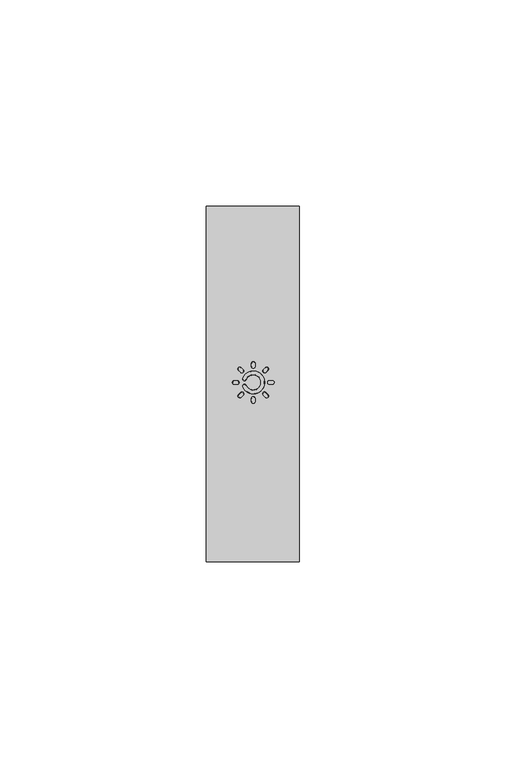
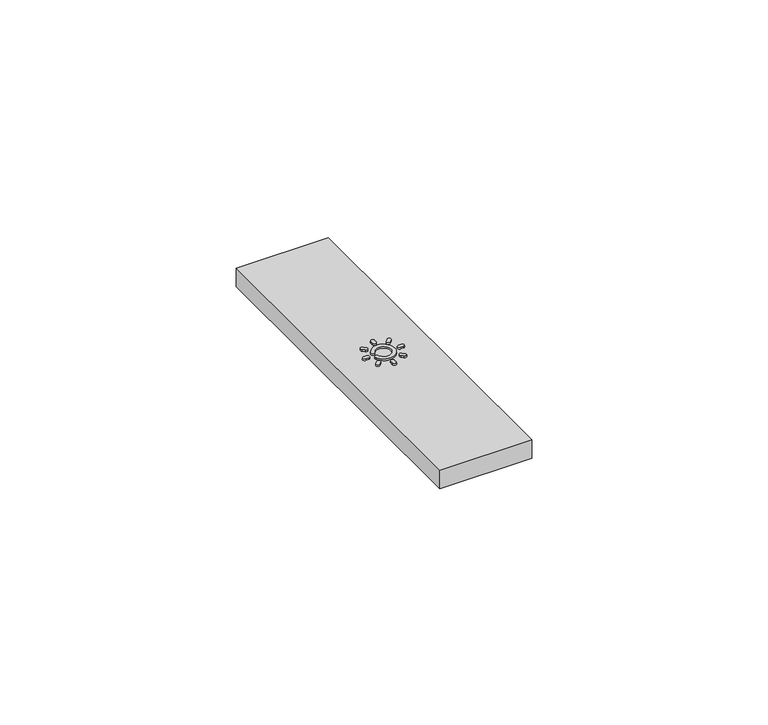
"""IFC4 building model written with IfcOpenShell, lengths in millimetres: proxy geometry."""

from ifc_helpers import new_model, si_unit, frame, origin, place, context, project, spatial, polyline, circle_curve, outline, extrude, source, transform, mapped, element, save
from ifc_brep_helpers import plane_surface, revolved_surface, advanced_brep


def electrical_fixtures_17795841(model_context):
    return source(origin(), model_context, "Body", "SolidModel", [
        advanced_brep(
        [(6.7379609, 43.8107748, 10.6074072), (6.7379609, 42.94208, 10.6074072), (7.4379655, 42.94208, 10.6074072), (7.4379609, 43.8107748, 10.6074072), (7.4379609, 43.8464183, 10.2), (7.4379655, 42.9064365, 10.2), (6.7379609, 42.9064365, 10.2), (6.7379609, 43.8464183, 10.2)],
        [
            (0, 1, circle_curve(frame((6.7379609, 43.3764274, 10.6074072), z_axis=(0.0, 0.0, 1.0), x_axis=(0.0, 1.0000000000000002, 0.0)), 0.4343474)),
            (1, 2),
            (2, 3, circle_curve(frame((7.4379609, 43.3764274, 10.6074072), z_axis=(0.0, 0.0, 1.0), x_axis=(1.1578075136041428e-05, -0.9999999999329744, 0.0)), 0.4343474)),
            (3, 0),
            (4, 5, circle_curve(frame((7.4379609, 43.3764274, 10.2), z_axis=(0.0, 0.0, -1.0), x_axis=(1.1578075136041428e-05, -0.9999999999329744, 0.0)), 0.4699909)),
            (5, 6),
            (6, 7, circle_curve(frame((6.7379609, 43.3764274, 10.2), z_axis=(0.0, 0.0, -1.0), x_axis=(0.0, 1.0000000000000002, 0.0)), 0.4699909)),
            (7, 4),
            (7, 0),
            (3, 4),
            (6, 1),
            (5, 2),
        ],
        [
            plane_surface(frame((11.3379609, 43.3764274, 10.6074072), z_axis=(0.0, 0.0, 1.0), x_axis=(1.0, 0.0, 0.0))),
            plane_surface(frame((11.3379609, 43.3764274, 10.2), z_axis=(0.0, 0.0, -1.0), x_axis=(1.0, 0.0, 0.0))),
            plane_surface(frame((11.3379609, 43.7764274, 11.0), z_axis=(0.0, 0.9961946980917439, 0.0871557427476776), x_axis=(-1.0, 0.0, 0.0))),
            revolved_surface(polyline([(6.7379609, 43.81077479075854, 10.6074072), (6.7379609, 43.8464183, 10.2)]), (6.7379609, 43.3764274, 15.5720209), (0.0, 0.0, -1.0)),
            plane_surface(frame((11.3379609, 42.9764274, 11.0), z_axis=(0.0, -0.9961946980917439, 0.0871557427476776), x_axis=(-1.0, 0.0, 0.0))),
            revolved_surface(polyline([(7.437965151141879, 42.94208000924146, 10.6074072), (7.4379655, 42.9064365, 10.2)]), (7.4379609, 43.3764274, 15.5720209), (0.0, 0.0, -1.0)),
        ],
        [
            (0, [[1, 2, 3, 4]]),
            (1, [[5, 6, 7, 8]]),
            (2, [[-8, 9, -4, 10]]),
            (3, [[-7, 11, -1, -9]]),
            (4, [[12, -2, -11, -6]]),
            (5, [[-5, -10, -3, -12]]),
        ],
    ),
        advanced_brep(
        [(7.7781397, 40.4308662, 10.6074072), (8.3923997, 39.8166062, 10.6074072), (8.8873777, 40.3115842, 10.6074072), (8.2731145, 40.925841, 10.6074072), (8.4176035, 39.7914024, 10.2), (7.752936, 40.45607, 10.2), (8.2479107, 40.9510447, 10.2), (8.9125815, 40.2863804, 10.2)],
        [
            (0, 1, circle_curve(frame((8.0852697, 40.1237362, 10.6074072), z_axis=(0.0, 0.0, 1.0), x_axis=(-0.7071067811865489, 0.7071067811865462, 0.0)), 0.4343474)),
            (1, 2),
            (2, 3, circle_curve(frame((8.5802445, 40.618711, 10.6074072), z_axis=(0.0, 0.0, 1.0), x_axis=(0.7071149680746551, -0.7070985942036513, 0.0)), 0.4343474)),
            (3, 0),
            (4, 5, circle_curve(frame((8.0852697, 40.1237362, 10.2), z_axis=(0.0, 0.0, -1.0), x_axis=(-0.7071067811865489, 0.7071067811865462, 0.0)), 0.4699909)),
            (5, 6),
            (6, 7, circle_curve(frame((8.5802445, 40.618711, 10.2), z_axis=(0.0, 0.0, -1.0), x_axis=(0.7071149680746551, -0.7070985942036513, 0.0)), 0.4699909)),
            (7, 4),
            (5, 0),
            (3, 6),
            (4, 1),
            (7, 2),
        ],
        [
            plane_surface(frame((11.3379609, 43.3764274, 10.6074072), z_axis=(0.0, 0.0, 1.0), x_axis=(1.0, 0.0, 0.0))),
            plane_surface(frame((11.3379609, 43.3764274, 10.2), z_axis=(0.0, 0.0, -1.0), x_axis=(1.0, 0.0, 0.0))),
            plane_surface(frame((11.0551182, 43.6592701, 11.0), z_axis=(-0.7044160264027598, 0.7044160264027562, 0.08715574274767007), x_axis=(0.7071067811865458, 0.7071067811865493, 0.0))),
            revolved_surface(polyline([(7.778139763109455, 40.43086622930667, 10.6074072), (7.752936, 40.45607, 10.2)]), (8.0852697, 40.1237362, 15.5720209), (0.0, 0.0, -1.0)),
            plane_surface(frame((11.6208036, 43.0935847, 11.0), z_axis=(0.7044160264027598, -0.7044160264027562, 0.08715574274767007), x_axis=(-0.7071067811865458, -0.7071067811865493, 0.0))),
            revolved_surface(polyline([(8.887377486622762, 40.31158392800941, 10.6074072), (8.9125815, 40.2863804, 10.2)]), (8.5802445, 40.618711, 15.5720209), (0.0, 0.0, -1.0)),
        ],
        [
            (0, [[1, 2, 3, 4]]),
            (1, [[5, 6, 7, 8]]),
            (2, [[9, -4, 10, -6]]),
            (3, [[-5, 11, -1, -9]]),
            (4, [[12, -2, -11, -8]]),
            (5, [[-7, -10, -3, -12]]),
        ],
    ),
        advanced_brep(
        [(10.9036135, 38.7764274, 10.6074072), (11.7723084, 38.7764274, 10.6074072), (11.7723084, 39.4764324, 10.6074072), (10.9036135, 39.4764274, 10.6074072), (10.86797, 39.4764274, 10.2), (11.8079519, 39.4764328, 10.2), (11.8079519, 38.7764274, 10.2), (10.86797, 38.7764274, 10.2)],
        [
            (0, 1, circle_curve(frame((11.3379609, 38.7764274, 10.6074072), z_axis=(0.0, 0.0, 1.0), x_axis=(-1.0000000000000002, 0.0, 0.0)), 0.4343474)),
            (1, 2),
            (2, 3, circle_curve(frame((11.3379609, 39.4764274, 10.6074072), z_axis=(0.0, 0.0, 1.0), x_axis=(0.9999999999329744, 1.1578075136041428e-05, 0.0)), 0.4343474)),
            (3, 0),
            (4, 5, circle_curve(frame((11.3379609, 39.4764274, 10.2), z_axis=(0.0, 0.0, -1.0), x_axis=(0.9999999999329744, 1.1578075136041428e-05, 0.0)), 0.4699909)),
            (5, 6),
            (6, 7, circle_curve(frame((11.3379609, 38.7764274, 10.2), z_axis=(0.0, 0.0, -1.0), x_axis=(-1.0000000000000002, 0.0, 0.0)), 0.4699909)),
            (7, 4),
            (4, 3),
            (2, 5),
            (7, 0),
            (6, 1),
        ],
        [
            plane_surface(frame((11.3379609, 43.3764274, 10.6074072), z_axis=(0.0, 0.0, 1.0), x_axis=(1.0, 0.0, 0.0))),
            plane_surface(frame((11.3379609, 43.3764274, 10.2), z_axis=(0.0, 0.0, -1.0), x_axis=(1.0, 0.0, 0.0))),
            revolved_surface(polyline([(11.772308383174666, 39.4764323904709, 10.6074072), (11.8079519, 39.4764328, 10.2)]), (11.3379609, 39.4764274, 15.5720209), (0.0, 0.0, -1.0)),
            plane_surface(frame((10.9379609, 43.3764274, 11.0), z_axis=(-0.9961946980917439, 0.0, 0.0871557427476776), x_axis=(0.0, -1.0, 0.0))),
            revolved_surface(polyline([(10.903613509241463, 38.7764274, 10.6074072), (10.86797, 38.7764274, 10.2)]), (11.3379609, 38.7764274, 15.5720209), (0.0, 0.0, -1.0)),
            plane_surface(frame((11.7379609, 43.3764274, 11.0), z_axis=(0.9961946980917439, 0.0, 0.0871557427476776), x_axis=(0.0, -1.0, 0.0))),
        ],
        [
            (0, [[1, 2, 3, 4]]),
            (1, [[5, 6, 7, 8]]),
            (2, [[-5, 9, -3, 10]]),
            (3, [[-8, 11, -4, -9]]),
            (4, [[-7, 12, -1, -11]]),
            (5, [[-10, -2, -12, -6]]),
        ],
    ),
        advanced_brep(
        [(14.2835221, 39.8166062, 10.6074072), (14.8977821, 40.4308662, 10.6074072), (14.4028041, 40.9258442, 10.6074072), (13.7885474, 40.3115809, 10.6074072), (14.9229859, 40.45607, 10.2), (14.2583184, 39.7914024, 10.2), (13.7633436, 40.2863772, 10.2), (14.4280079, 40.951048, 10.2)],
        [
            (0, 1, circle_curve(frame((14.5906521, 40.1237362, 10.6074072), z_axis=(0.0, 0.0, 1.0), x_axis=(-0.7071067811865462, -0.7071067811865489, 0.0)), 0.4343474)),
            (1, 2),
            (2, 3, circle_curve(frame((14.0956774, 40.618711, 10.6074072), z_axis=(0.0, 0.0, 1.0), x_axis=(0.707098594203652, 0.7071149680746545, 0.0)), 0.4343474)),
            (3, 0),
            (4, 5, circle_curve(frame((14.5906521, 40.1237362, 10.2), z_axis=(0.0, 0.0, -1.0), x_axis=(-0.7071067811865462, -0.7071067811865489, 0.0)), 0.4699909)),
            (5, 6),
            (6, 7, circle_curve(frame((14.0956774, 40.618711, 10.2), z_axis=(0.0, 0.0, -1.0), x_axis=(0.707098594203652, 0.7071149680746545, 0.0)), 0.4699909)),
            (7, 4),
            (7, 2),
            (1, 4),
            (6, 3),
            (5, 0),
        ],
        [
            plane_surface(frame((11.3379609, 43.3764274, 10.6074072), z_axis=(0.0, 0.0, 1.0), x_axis=(1.0, 0.0, 0.0))),
            plane_surface(frame((11.3379609, 43.3764274, 10.2), z_axis=(0.0, 0.0, -1.0), x_axis=(1.0, 0.0, 0.0))),
            plane_surface(frame((11.6208036, 43.6592701, 11.0), z_axis=(0.7044160264027562, 0.7044160264027598, 0.08715574274767007), x_axis=(0.7071067811865493, -0.7071067811865458, 0.0))),
            revolved_surface(polyline([(14.402804379574457, 40.92584398662276, 10.6074072), (14.4280079, 40.951048, 10.2)]), (14.0956774, 40.618711, 15.5720209), (0.0, 0.0, -1.0)),
            plane_surface(frame((11.0551182, 43.0935847, 11.0), z_axis=(-0.7044160264027562, -0.7044160264027598, 0.08715574274767007), x_axis=(-0.7071067811865493, 0.7071067811865458, 0.0))),
            revolved_surface(polyline([(14.283522163109454, 39.816606170693326, 10.6074072), (14.2583184, 39.7914024, 10.2)]), (14.5906521, 40.1237362, 15.5720209), (0.0, 0.0, -1.0)),
        ],
        [
            (0, [[1, 2, 3, 4]]),
            (1, [[5, 6, 7, 8]]),
            (2, [[9, -2, 10, -8]]),
            (3, [[-7, 11, -3, -9]]),
            (4, [[12, -4, -11, -6]]),
            (5, [[-5, -10, -1, -12]]),
        ],
    ),
        advanced_brep(
        [(15.9379609, 42.94208, 10.6074072), (15.9379609, 43.8107748, 10.6074072), (15.2379563, 43.8107748, 10.6074072), (15.2379609, 42.94208, 10.6074072), (15.2379609, 42.9064365, 10.2), (15.2379563, 43.8464183, 10.2), (15.9379609, 43.8464183, 10.2), (15.9379609, 42.9064365, 10.2)],
        [
            (0, 1, circle_curve(frame((15.9379609, 43.3764274, 10.6074072), z_axis=(0.0, 0.0, 1.0), x_axis=(0.0, -1.0000000000000002, 0.0)), 0.4343474)),
            (1, 2),
            (2, 3, circle_curve(frame((15.2379609, 43.3764274, 10.6074072), z_axis=(0.0, 0.0, 1.0), x_axis=(-1.1578075137363286e-05, 0.9999999999329744, 0.0)), 0.4343474)),
            (3, 0),
            (4, 5, circle_curve(frame((15.2379609, 43.3764274, 10.2), z_axis=(0.0, 0.0, -1.0), x_axis=(-1.1578075137363286e-05, 0.9999999999329744, 0.0)), 0.4699909)),
            (5, 6),
            (6, 7, circle_curve(frame((15.9379609, 43.3764274, 10.2), z_axis=(0.0, 0.0, -1.0), x_axis=(0.0, -1.0000000000000002, 0.0)), 0.4699909)),
            (7, 4),
            (5, 2),
            (1, 6),
            (4, 3),
            (7, 0),
        ],
        [
            plane_surface(frame((11.3379609, 43.3764274, 10.6074072), z_axis=(0.0, 0.0, 1.0), x_axis=(1.0, 0.0, 0.0))),
            plane_surface(frame((11.3379609, 43.3764274, 10.2), z_axis=(0.0, 0.0, -1.0), x_axis=(1.0, 0.0, 0.0))),
            plane_surface(frame((11.3379609, 43.7764274, 11.0), z_axis=(0.0, 0.9961946980917439, 0.0871557427476776), x_axis=(1.0, 0.0, 0.0))),
            revolved_surface(polyline([(15.237956648858122, 43.81077479075854, 10.6074072), (15.2379563, 43.8464183, 10.2)]), (15.2379609, 43.3764274, 15.5720209), (0.0, 0.0, -1.0)),
            plane_surface(frame((11.3379609, 42.9764274, 11.0), z_axis=(0.0, -0.9961946980917439, 0.0871557427476776), x_axis=(1.0, 0.0, 0.0))),
            revolved_surface(polyline([(15.9379609, 42.94208000924146, 10.6074072), (15.9379609, 42.9064365, 10.2)]), (15.9379609, 43.3764274, 15.5720209), (0.0, 0.0, -1.0)),
        ],
        [
            (0, [[1, 2, 3, 4]]),
            (1, [[5, 6, 7, 8]]),
            (2, [[9, -2, 10, -6]]),
            (3, [[-5, 11, -3, -9]]),
            (4, [[-8, 12, -4, -11]]),
            (5, [[-7, -10, -1, -12]]),
        ],
    ),
        advanced_brep(
        [(14.8977821, 46.3219886, 10.6074072), (14.2835221, 46.9362486, 10.6074072), (13.7885441, 46.4412706, 10.6074072), (14.4028074, 45.8270138, 10.6074072), (14.4280112, 45.8018101, 10.2), (13.7633403, 46.4664744, 10.2), (14.2583184, 46.9614524, 10.2), (14.9229859, 46.2967848, 10.2)],
        [
            (0, 1, circle_curve(frame((14.5906521, 46.6291186, 10.6074072), z_axis=(0.0, 0.0, 1.0), x_axis=(0.7071067811865489, -0.7071067811865462, 0.0)), 0.4343474)),
            (1, 2),
            (2, 3, circle_curve(frame((14.0956774, 46.1341439, 10.6074072), z_axis=(0.0, 0.0, 1.0), x_axis=(-0.7071149680746551, 0.7070985942036513, 0.0)), 0.4343474)),
            (3, 0),
            (4, 5, circle_curve(frame((14.0956774, 46.1341439, 10.2), z_axis=(0.0, 0.0, -1.0), x_axis=(-0.7071149680746551, 0.7070985942036513, 0.0)), 0.4699909)),
            (5, 6),
            (6, 7, circle_curve(frame((14.5906521, 46.6291186, 10.2), z_axis=(0.0, 0.0, -1.0), x_axis=(0.7071067811865489, -0.7071067811865462, 0.0)), 0.4699909)),
            (7, 4),
            (6, 1),
            (0, 7),
            (5, 2),
            (4, 3),
        ],
        [
            plane_surface(frame((11.3379609, 43.3764274, 10.6074072), z_axis=(0.0, 0.0, 1.0), x_axis=(1.0, 0.0, 0.0))),
            plane_surface(frame((11.3379609, 43.3764274, 10.2), z_axis=(0.0, 0.0, -1.0), x_axis=(1.0, 0.0, 0.0))),
            revolved_surface(polyline([(14.897782129306673, 46.32198857069332, 10.6074072), (14.9229859, 46.2967848, 10.2)]), (14.5906521, 46.6291186, 15.5720209), (0.0, 0.0, -1.0)),
            plane_surface(frame((11.0551182, 43.6592701, 11.0), z_axis=(-0.7044160264027598, 0.7044160264027562, 0.08715574274767007), x_axis=(0.7071067811865458, 0.7071067811865493, 0.0))),
            revolved_surface(polyline([(13.78854432096111, 46.44127087957446, 10.6074072), (13.7633403, 46.4664744, 10.2)]), (14.0956774, 46.1341439, 15.5720209), (0.0, 0.0, -1.0)),
            plane_surface(frame((11.6208036, 43.0935847, 11.0), z_axis=(0.7044160264027598, -0.7044160264027562, 0.08715574274767007), x_axis=(-0.7071067811865458, -0.7071067811865493, 0.0))),
        ],
        [
            (0, [[1, 2, 3, 4]]),
            (1, [[5, 6, 7, 8]]),
            (2, [[-7, 9, -1, 10]]),
            (3, [[11, -2, -9, -6]]),
            (4, [[-5, 12, -3, -11]]),
            (5, [[-10, -4, -12, -8]]),
        ],
    ),
        advanced_brep(
        [(11.7723084, 47.9764274, 10.6074072), (10.9036135, 47.9764274, 10.6074072), (10.9036135, 47.2764228, 10.6074072), (11.7723084, 47.2764274, 10.6074072), (11.8079519, 47.2764274, 10.2), (10.86797, 47.2764228, 10.2), (10.86797, 47.9764274, 10.2), (11.8079519, 47.9764274, 10.2)],
        [
            (0, 1, circle_curve(frame((11.3379609, 47.9764274, 10.6074072), z_axis=(0.0, 0.0, 1.0), x_axis=(1.0000000000000002, 0.0, 0.0)), 0.4343474)),
            (1, 2),
            (2, 3, circle_curve(frame((11.3379609, 47.2764274, 10.6074072), z_axis=(0.0, 0.0, 1.0), x_axis=(-0.9999999999329744, -1.1578075136041428e-05, 0.0)), 0.4343474)),
            (3, 0),
            (4, 5, circle_curve(frame((11.3379609, 47.2764274, 10.2), z_axis=(0.0, 0.0, -1.0), x_axis=(-0.9999999999329744, -1.1578075136041428e-05, 0.0)), 0.4699909)),
            (5, 6),
            (6, 7, circle_curve(frame((11.3379609, 47.9764274, 10.2), z_axis=(0.0, 0.0, -1.0), x_axis=(1.0000000000000002, 0.0, 0.0)), 0.4699909)),
            (7, 4),
            (6, 1),
            (0, 7),
            (5, 2),
            (4, 3),
        ],
        [
            plane_surface(frame((11.3379609, 43.3764274, 10.6074072), z_axis=(0.0, 0.0, 1.0), x_axis=(1.0, 0.0, 0.0))),
            plane_surface(frame((11.3379609, 43.3764274, 10.2), z_axis=(0.0, 0.0, -1.0), x_axis=(1.0, 0.0, 0.0))),
            revolved_surface(polyline([(11.772308383174666, 47.9764274, 10.6074072), (11.8079519, 47.9764274, 10.2)]), (11.3379609, 47.9764274, 15.5720209), (0.0, 0.0, -1.0)),
            plane_surface(frame((10.9379609, 43.3764274, 11.0), z_axis=(-0.9961946980917439, 0.0, 0.0871557427476776), x_axis=(0.0, 1.0, 0.0))),
            revolved_surface(polyline([(10.903613509241463, 47.27642314885812, 10.6074072), (10.86797, 47.2764228, 10.2)]), (11.3379609, 47.2764274, 15.5720209), (0.0, 0.0, -1.0)),
            plane_surface(frame((11.7379609, 43.3764274, 11.0), z_axis=(0.9961946980917439, 0.0, 0.0871557427476776), x_axis=(0.0, 1.0, 0.0))),
        ],
        [
            (0, [[1, 2, 3, 4]]),
            (1, [[5, 6, 7, 8]]),
            (2, [[-7, 9, -1, 10]]),
            (3, [[11, -2, -9, -6]]),
            (4, [[-5, 12, -3, -11]]),
            (5, [[-8, -10, -4, -12]]),
        ],
    ),
        advanced_brep(
        [(8.3923997, 46.9362486, 10.6074072), (7.7781397, 46.3219886, 10.6074072), (8.2731177, 45.8270106, 10.6074072), (8.8873745, 46.4412739, 10.6074072), (7.752936, 46.2967848, 10.2), (8.4176035, 46.9614524, 10.2), (8.9125783, 46.4664776, 10.2), (8.247914, 45.8018068, 10.2)],
        [
            (0, 1, circle_curve(frame((8.0852697, 46.6291186, 10.6074072), z_axis=(0.0, 0.0, 1.0), x_axis=(0.7071067811865462, 0.7071067811865489, 0.0)), 0.4343474)),
            (1, 2),
            (2, 3, circle_curve(frame((8.5802445, 46.1341439, 10.6074072), z_axis=(0.0, 0.0, 1.0), x_axis=(-0.707098594203652, -0.7071149680746545, 0.0)), 0.4343474)),
            (3, 0),
            (4, 5, circle_curve(frame((8.0852697, 46.6291186, 10.2), z_axis=(0.0, 0.0, -1.0), x_axis=(0.7071067811865462, 0.7071067811865489, 0.0)), 0.4699909)),
            (5, 6),
            (6, 7, circle_curve(frame((8.5802445, 46.1341439, 10.2), z_axis=(0.0, 0.0, -1.0), x_axis=(-0.707098594203652, -0.7071149680746545, 0.0)), 0.4699909)),
            (7, 4),
            (5, 0),
            (3, 6),
            (4, 1),
            (7, 2),
        ],
        [
            plane_surface(frame((11.3379609, 43.3764274, 10.6074072), z_axis=(0.0, 0.0, 1.0), x_axis=(1.0, 0.0, 0.0))),
            plane_surface(frame((11.3379609, 43.3764274, 10.2), z_axis=(0.0, 0.0, -1.0), x_axis=(1.0, 0.0, 0.0))),
            plane_surface(frame((11.6208036, 43.6592701, 11.0), z_axis=(0.7044160264027562, 0.7044160264027598, 0.08715574274767007), x_axis=(0.7071067811865493, -0.7071067811865458, 0.0))),
            revolved_surface(polyline([(8.392399729306673, 46.936248629306675, 10.6074072), (8.4176035, 46.9614524, 10.2)]), (8.0852697, 46.6291186, 15.5720209), (0.0, 0.0, -1.0)),
            plane_surface(frame((11.0551182, 43.0935847, 11.0), z_axis=(-0.7044160264027562, -0.7044160264027598, 0.08715574274767007), x_axis=(-0.7071067811865493, 0.7071067811865458, 0.0))),
            revolved_surface(polyline([(8.273117520425544, 45.827010820961114, 10.6074072), (8.247914, 45.8018068, 10.2)]), (8.5802445, 46.1341439, 15.5720209), (0.0, 0.0, -1.0)),
        ],
        [
            (0, [[1, 2, 3, 4]]),
            (1, [[5, 6, 7, 8]]),
            (2, [[9, -4, 10, -6]]),
            (3, [[-5, 11, -1, -9]]),
            (4, [[12, -2, -11, -8]]),
            (5, [[-7, -10, -3, -12]]),
        ],
    ),
        advanced_brep(
        [(8.8120348, 42.3293587, 10.6074072), (8.8120348, 44.4234961, 10.6074072), (9.6145148, 44.0908454, 10.6074072), (9.6145148, 42.6620095, 10.6074072), (8.7791081, 42.3157097, 10.2), (9.6474415, 42.6756585, 10.2), (9.6474415, 44.0771964, 10.2), (8.7791081, 44.4371451, 10.2)],
        [
            (0, 1, circle_curve(frame((11.3379609, 43.3764274, 10.6074072), z_axis=(0.0, 0.0, 1.0), x_axis=(-0.923776595358987, -0.38293185015999737, 0.0)), 2.7343474)),
            (1, 2, circle_curve(frame((9.2132748, 44.2571708, 10.6074072), z_axis=(0.0, 0.0, 1.0), x_axis=(-0.9237767842218566, 0.3829313945509376, 0.0)), 0.4343474)),
            (2, 3, circle_curve(frame((11.3379609, 43.3764274, 10.6074072), z_axis=(0.0, 0.0, -1.0), x_axis=(-0.9237765614277774, -0.3829319320149103, 0.0)), 1.8656526)),
            (3, 0, circle_curve(frame((9.2132748, 42.495684, 10.6074072), z_axis=(0.0, 0.0, 1.0), x_axis=(0.9237766294580904, 0.38293176790004013, 0.0)), 0.4343474)),
            (4, 5, circle_curve(frame((9.2132748, 42.495684, 10.2), z_axis=(0.0, 0.0, -1.0), x_axis=(0.9237766294580904, 0.38293176790004013, 0.0)), 0.4699909)),
            (5, 6, circle_curve(frame((11.3379609, 43.3764274, 10.2), z_axis=(0.0, 0.0, 1.0), x_axis=(-0.9237765614277774, -0.3829319320149103, 0.0)), 1.8300091)),
            (6, 7, circle_curve(frame((9.2132748, 44.2571708, 10.2), z_axis=(0.0, 0.0, -1.0), x_axis=(-0.9237767842218566, 0.3829313945509376, 0.0)), 0.4699909)),
            (7, 4, circle_curve(frame((11.3379609, 43.3764274, 10.2), z_axis=(0.0, 0.0, -1.0), x_axis=(-0.923776595358987, -0.38293185015999737, 0.0)), 2.7699909)),
            (4, 0),
            (3, 5),
            (7, 1),
            (6, 2),
        ],
        [
            plane_surface(frame((11.3379609, 43.3764274, 10.6074072), z_axis=(0.0, 0.0, 1.0), x_axis=(1.0, 0.0, 0.0))),
            plane_surface(frame((11.3379609, 43.3764274, 10.2), z_axis=(0.0, 0.0, -1.0), x_axis=(1.0, 0.0, 0.0))),
            revolved_surface(polyline([(9.614514852305788, 42.66200946391445, 10.6074072), (9.6474415, 42.6756585, 10.2)]), (9.2132748, 42.495684, 15.5720209), (0.0, 0.0, -1.0)),
            revolved_surface(polyline([(8.81203474177437, 42.32935873511903, 10.6074072), (8.7791081, 42.3157097, 10.2)]), (11.3379609, 43.3764274, 41.8611412), (0.0, 0.0, -1.0)),
            revolved_surface(polyline([(8.812034747694211, 44.4234960790822, 10.6074072), (8.7791081, 44.4371451, 10.2)]), (9.2132748, 44.2571708, 15.5720209), (0.0, 0.0, -1.0)),
            revolved_surface(polyline([(9.6145148, 42.6620095, 10.607407199999999), (9.647441439904153, 42.67565853778214, 10.199999999999998)]), (11.3379609, 43.3764274, -10.7170994), (0.0, 0.0, 1.0)),
        ],
        [
            (0, [[1, 2, 3, 4]]),
            (1, [[5, 6, 7, 8]]),
            (2, [[-5, 9, -4, 10]]),
            (3, [[-8, 11, -1, -9]]),
            (4, [[-7, 12, -2, -11]]),
            (5, [[-6, -10, -3, -12]]),
        ],
    ),
        extrude(outline(polyline([(0.0, 0.0), (0.0, 86.0), (22.5, 86.0), (22.5, 0.0), (0.0, 0.0)])), frame((0.0, 0.0, 5.5), z_axis=(0.0, 0.0, 1.0), x_axis=(1.0, 0.0, 0.0)), (0.0, 0.0, 1.0), 4.7),
    ])


if __name__ == "__main__":
    model = new_model("IFC4")
    model_context = context("Model", 3, world=origin())
    ifc_project = project(units=[si_unit("LENGTHUNIT", "METRE", prefix="MILLI")], contexts=[model_context])
    site = spatial("IfcSite", under=ifc_project)
    building = spatial("IfcBuilding", under=site)
    placement = place(None, origin())
    electrical_fixtures_shape = electrical_fixtures_17795841(model_context)
    element("IfcBuildingElementProxy", 1, Name="Electrical Fixtures", at=placement, inside=building, context=model_context, shape_type="MappedRepresentation", body=[
        mapped(electrical_fixtures_shape, transform((0.0, 0.0, 0.0), x_axis=(1.0, 0.0, 0.0), y_axis=(0.0, 1.0, 0.0), z_axis=(0.0, 0.0, 1.0))),
    ])
    save(model, "model.ifc")
